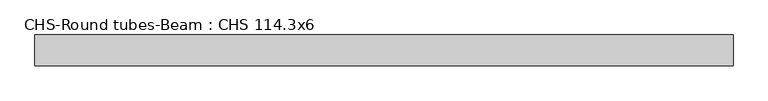
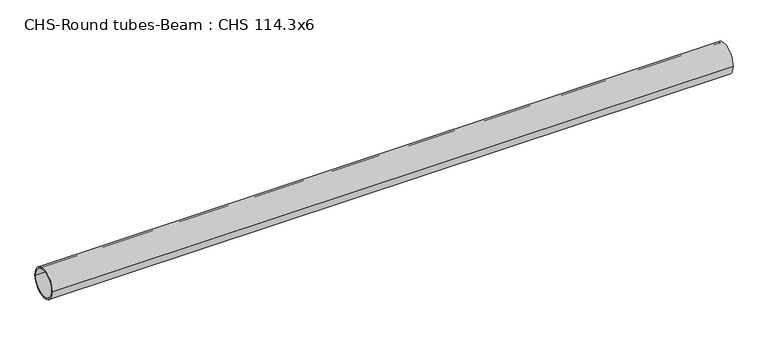
"""IFC4 building model written with IfcOpenShell, lengths in millimetres: beam geometry, CHS-Round tubes-Beam : CHS 114.3x6."""

from ifc_helpers import new_model, si_unit, point, frame, origin, origin_2d, place, context, project, spatial, circle_curve, trimmed, segment, composite_curve, outline, extrude, source, transform, mapped, element, save


def chs_round_tubes_beam_chs_114_3x6_e87f153b(model_context):
    return source(origin(), model_context, "Body", "SweptSolid", [
        extrude(outline(composite_curve([segment(trimmed(circle_curve(origin_2d(), 57.15), [point((57.15, 0.0))], [point((-57.15, 0.0))], False, "CARTESIAN"), True, "CONTINUOUS"), segment(trimmed(circle_curve(origin_2d(), 57.15), [point((-57.15, 0.0))], [point((57.15, 0.0))], False, "CARTESIAN"), True, "CONTINUOUS")], self_intersect=False), holes=[composite_curve([segment(trimmed(circle_curve(origin_2d(), 51.15), [point((51.15, 0.0))], [point((-51.15, 0.0))], True, "CARTESIAN"), True, "CONTINUOUS"), segment(trimmed(circle_curve(origin_2d(), 51.15), [point((-51.15, 0.0))], [point((51.15, 0.0))], True, "CARTESIAN"), True, "CONTINUOUS")], self_intersect=False)]), frame((-1290.0474592, 0.0, 0.0), z_axis=(1.0, 0.0, 0.0), x_axis=(0.0, 1.0, 0.0)), (0.0, 0.0, 1.0), 2601.3532774),
    ])


if __name__ == "__main__":
    model = new_model("IFC4")
    model_context = context("Model", 3, world=origin())
    ifc_project = project(units=[si_unit("LENGTHUNIT", "METRE", prefix="MILLI")], contexts=[model_context])
    site = spatial("IfcSite", under=ifc_project)
    building = spatial("IfcBuilding", under=site)
    placement = place(None, origin())
    chs_round_tubes_beam_chs_114_3x6_shape = chs_round_tubes_beam_chs_114_3x6_e87f153b(model_context)
    element("IfcBeam", 1, ObjectType="CHS-Round tubes-Beam : CHS 114.3x6", at=placement, inside=building, context=model_context, shape_type="MappedRepresentation", body=[
        mapped(chs_round_tubes_beam_chs_114_3x6_shape, transform((0.0, 0.0, 0.0), x_axis=(1.0, 0.0, 0.0), y_axis=(0.0, 1.0, 0.0), z_axis=(0.0, 0.0, 1.0))),
    ])
    save(model, "model.ifc")
